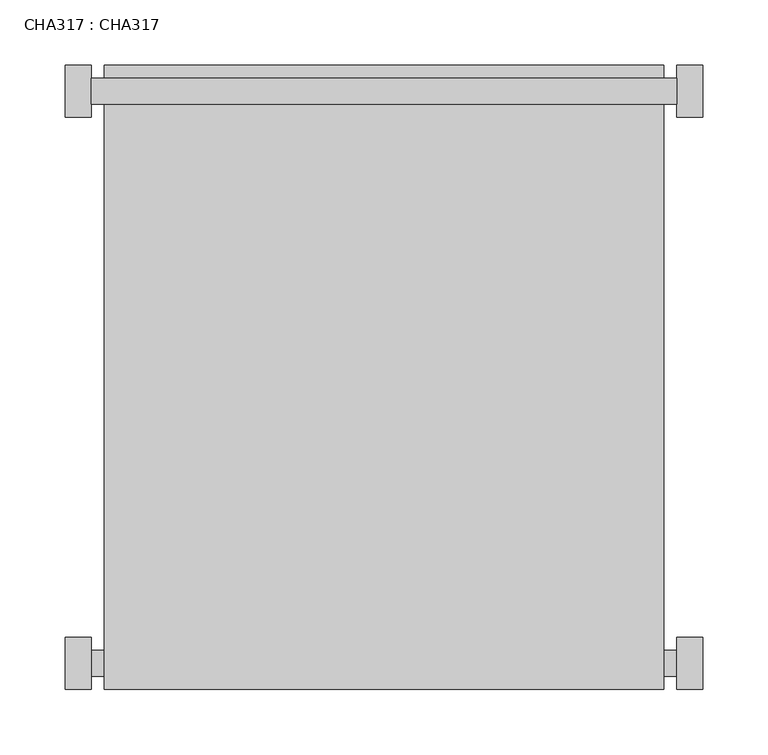
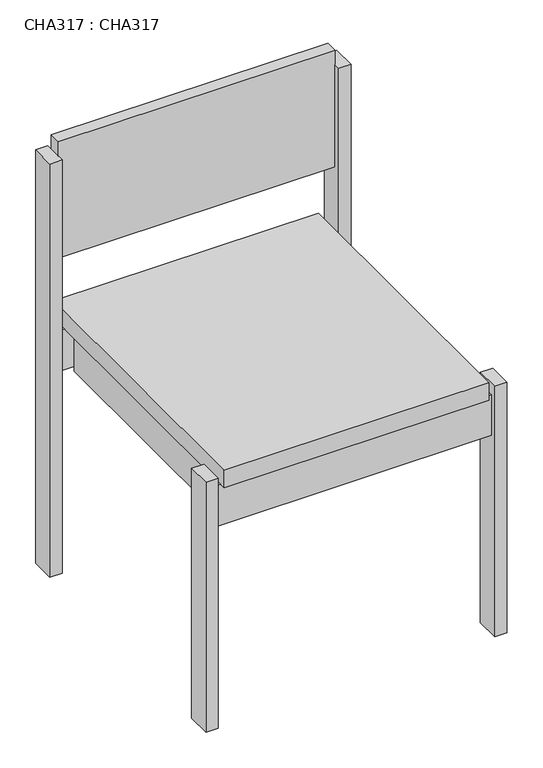
"""IFC4 building model written with IfcOpenShell, lengths in millimetres: proxy geometry, CHA317 : CHA317."""

from ifc_helpers import new_model, si_unit, point, frame, frame_2d, origin, origin_with_axes, place, context, project, spatial, polyline, circle_curve, trimmed, segment, composite_curve, outline, extrude, source, transform, mapped, element, save


def cha317_cha317_ee792ab6(model_context):
    return source(origin(), model_context, "Body", "SweptSolid", [
        extrude(outline(polyline([(59.9999986, -439.9999961), (40.0000021, -439.9999961), (40.0000021, -40.0000021), (59.9999986, -40.0000021), (59.9999986, -439.9999961)])), frame((0.0, 0.0, 339.9999953), z_axis=(0.0, 0.0, 1.0), x_axis=(1.0, 0.0, 0.0)), (0.0, 0.0, 1.0), 70.0000151),
        extrude(outline(polyline([(450.0000034, -439.9999961), (429.9999887, -439.9999961), (429.9999887, -40.0000021), (450.0000034, -40.0000021), (450.0000034, -439.9999961)])), frame((0.0, 0.0, 339.9999953), z_axis=(0.0, 0.0, 1.0), x_axis=(1.0, 0.0, 0.0)), (0.0, 0.0, 1.0), 70.0000151),
        extrude(outline(polyline([(470.0000181, -10.0000005), (470.0000181, -29.9999993), (20.0000011, -29.9999993), (20.0000011, -10.0000005), (470.0000181, -10.0000005)])), frame((0.0, 0.0, 339.9999953), z_axis=(0.0, 0.0, 1.0), x_axis=(1.0, 0.0, 0.0)), (0.0, 0.0, 1.0), 70.0000151),
        extrude(outline(polyline([(470.0000181, -450.0000034), (470.0000181, -470.0000181), (20.0000011, -470.0000181), (20.0000011, -450.0000034), (470.0000181, -450.0000034)])), frame((0.0, 0.0, 339.9999953), z_axis=(0.0, 0.0, 1.0), x_axis=(1.0, 0.0, 0.0)), (0.0, 0.0, 1.0), 70.0000151),
        extrude(outline(polyline([(20.0000011, 0.0), (20.0000011, -40.0000021), (0.0, -40.0000021), (0.0, 0.0), (20.0000011, 0.0)])), origin_with_axes(), (0.0, 0.0, 1.0), 709.9999763),
        extrude(outline(polyline([(470.0000181, 0.0), (489.9999965, 0.0), (489.9999965, -40.0000021), (470.0000181, -40.0000021), (470.0000181, 0.0)])), origin_with_axes(), (0.0, 0.0, 1.0), 709.9999763),
        extrude(outline(polyline([(460.0000108, 0.0), (460.0000108, -479.9999891), (29.9999993, -479.9999891), (29.9999993, 0.0), (460.0000108, 0.0)])), frame((0.0, 0.0, 410.0000104), z_axis=(0.0, 0.0, 1.0), x_axis=(1.0, 0.0, 0.0)), (0.0, 0.0, 1.0), 29.9999857),
        extrude(outline(composite_curve([segment(trimmed(circle_curve(frame_2d((245.0000096, -2279.9998802)), 2261.2218971), [point((470.0000181, -29.9999993))], [point((20.0000011, -29.9999993))], True, "CARTESIAN"), True, "CONTINUOUS"), segment(polyline([(20.0000011, -29.9999993), (20.0000011, -10.0000005)]), True, "CONTINUOUS"), segment(trimmed(circle_curve(frame_2d((245.0000096, -2259.9999836)), 2261.2219988), [point((20.0000011, -10.0000005))], [point((470.0000181, -10.0000005))], False, "CARTESIAN"), True, "CONTINUOUS"), segment(polyline([(470.0000181, -10.0000005), (470.0000181, -29.9999993)]), True, "CONTINUOUS")], self_intersect=False)), frame((0.0, 0.0, 535.0000113), z_axis=(0.0, 0.0, 1.0), x_axis=(1.0, 0.0, 0.0)), (0.0, 0.0, 1.0), 199.9999652),
        extrude(outline(polyline([(0.0, -479.9999891), (0.0, -439.9999961), (20.0000011, -439.9999961), (20.0000011, -479.9999891), (0.0, -479.9999891)])), origin_with_axes(), (0.0, 0.0, 1.0), 429.9999887),
        extrude(outline(polyline([(470.0000181, -479.9999891), (470.0000181, -439.9999961), (489.9999965, -439.9999961), (489.9999965, -479.9999891), (470.0000181, -479.9999891)])), origin_with_axes(), (0.0, 0.0, 1.0), 429.9999887),
    ])


if __name__ == "__main__":
    model = new_model("IFC4")
    model_context = context("Model", 3, world=origin())
    ifc_project = project(units=[si_unit("LENGTHUNIT", "METRE", prefix="MILLI")], contexts=[model_context])
    site = spatial("IfcSite", under=ifc_project)
    building = spatial("IfcBuilding", under=site)
    placement = place(None, origin())
    cha317_cha317_shape = cha317_cha317_ee792ab6(model_context)
    element("IfcBuildingElementProxy", 1, Name="CHA317 : CHA317", ObjectType="CHA317 : CHA317", at=placement, inside=building, context=model_context, shape_type="MappedRepresentation", body=[
        mapped(cha317_cha317_shape, transform((0.0, 0.0, 0.0), x_axis=(1.0, 0.0, 0.0), y_axis=(0.0, 1.0, 0.0), z_axis=(0.0, 0.0, 1.0))),
    ])
    save(model, "model.ifc")
